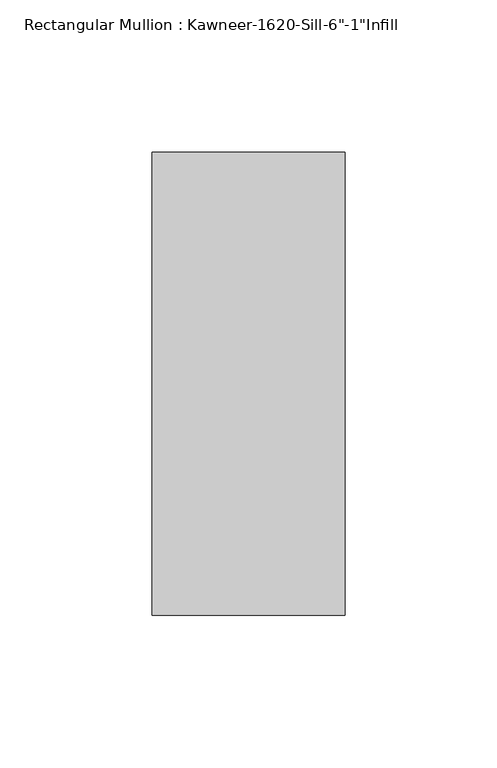
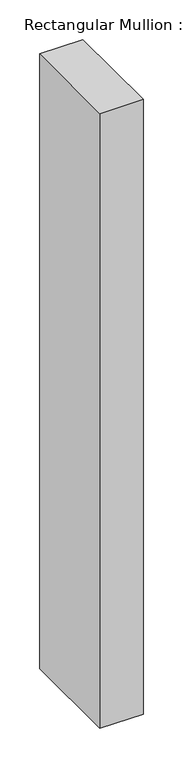
"""IFC4 building model written with IfcOpenShell, lengths in millimetres: member geometry."""

from ifc_helpers import new_model, si_unit, frame, origin, place, context, project, spatial, polyline, outline, extrude, source, transform, mapped, element, save


def member_4b962e00(model_context):
    return source(origin(), model_context, "Body", "SweptSolid", [
        extrude(outline(polyline([(-63.5, 38.1), (0.0, 38.1), (0.0, -114.3), (-63.5, -114.3), (-63.5, 38.1)])), frame((0.0, 0.0, -949.325), z_axis=(0.0, 0.0, 1.0), x_axis=(1.0, 0.0, 0.0)), (0.0, 0.0, 1.0), 949.325),
    ])


if __name__ == "__main__":
    model = new_model("IFC4")
    model_context = context("Model", 3, world=origin())
    ifc_project = project(units=[si_unit("LENGTHUNIT", "METRE", prefix="MILLI")], contexts=[model_context])
    site = spatial("IfcSite", under=ifc_project)
    building = spatial("IfcBuilding", under=site)
    placement = place(None, origin())
    member_shape = member_4b962e00(model_context)
    element("IfcMember", 1, ObjectType="Rectangular Mullion : Kawneer-1620-Sill-6\"-1\"Infill", at=placement, inside=building, context=model_context, shape_type="MappedRepresentation", body=[
        mapped(member_shape, transform((0.0, 0.0, 0.0), x_axis=(1.0, 0.0, 0.0), y_axis=(0.0, 1.0, 0.0), z_axis=(0.0, 0.0, 1.0))),
    ])
    save(model, "model.ifc")
